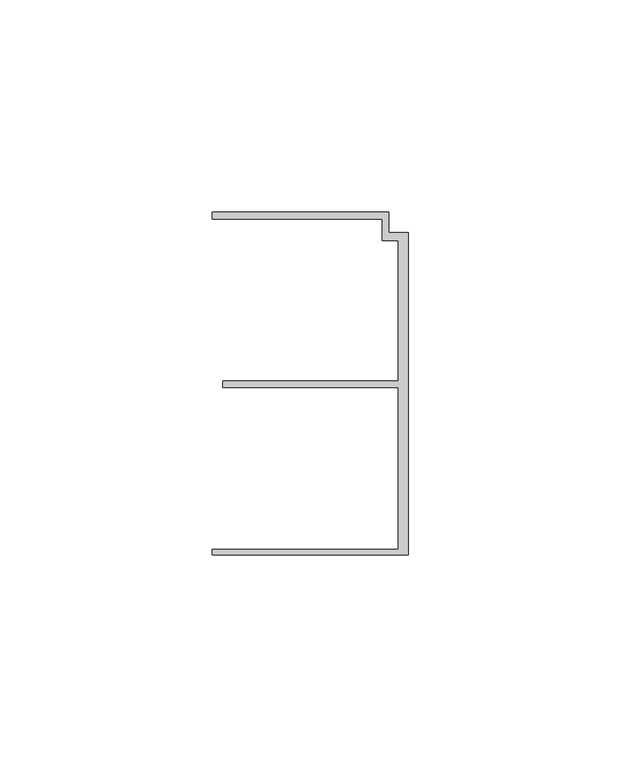
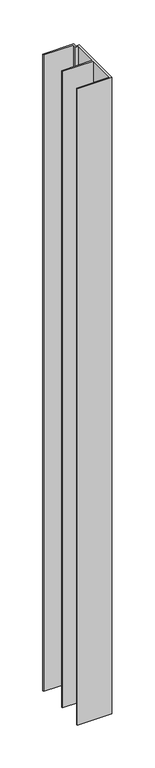
"""IFC4 building model written with IfcOpenShell, lengths in millimetres: member geometry."""

from ifc_helpers import new_model, si_unit, frame, origin, place, context, project, spatial, polyline, outline, extrude, source, transform, mapped, element, save


def member_1f6a2cd3(model_context):
    return source(origin(), model_context, "Body", "SweptSolid", [
        extrude(outline(polyline([(-6.2, 33.95), (-6.2, 38.95), (-46.3, 38.95), (-46.3, 40.65), (-4.6999992, 40.65), (-4.6999992, 35.75), (0.0, 35.75), (0.0, -40.25), (-46.3, -40.25), (-46.3, -38.95), (-2.4, -38.95), (-2.4, -0.75), (-43.8, -0.75), (-43.8, 0.75), (-2.4, 0.75), (-2.4, 33.95), (-6.2, 33.95)])), frame((0.0, 0.0, -907.5), z_axis=(0.0, 0.0, 1.0), x_axis=(1.0, 0.0, 0.0)), (0.0, 0.0, 1.0), 907.5),
    ])


if __name__ == "__main__":
    model = new_model("IFC4")
    model_context = context("Model", 3, world=origin())
    ifc_project = project(units=[si_unit("LENGTHUNIT", "METRE", prefix="MILLI")], contexts=[model_context])
    site = spatial("IfcSite", under=ifc_project)
    building = spatial("IfcBuilding", under=site)
    placement = place(None, origin())
    member_shape = member_1f6a2cd3(model_context)
    element("IfcMember", 1, at=placement, inside=building, context=model_context, shape_type="MappedRepresentation", body=[
        mapped(member_shape, transform((0.0, 0.0, 0.0), x_axis=(1.0, 0.0, 0.0), y_axis=(0.0, 1.0, 0.0), z_axis=(0.0, 0.0, 1.0))),
    ])
    save(model, "model.ifc")
